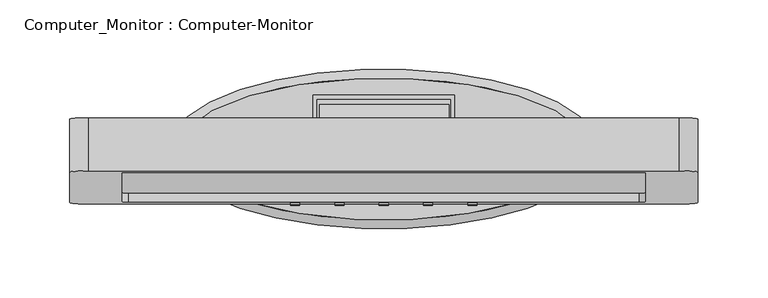
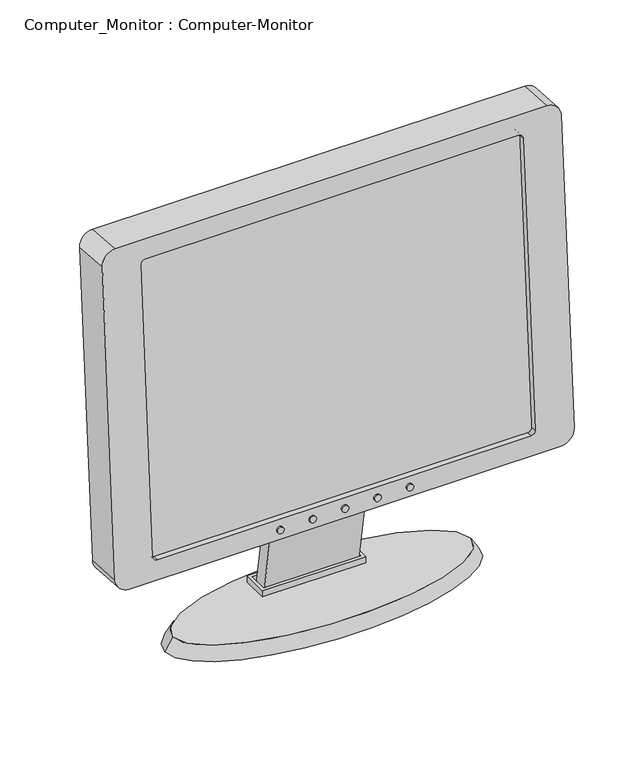
"""IFC4 building model written with IfcOpenShell, lengths in millimetres: furniture geometry, Computer_Monitor : Computer-Monitor."""

from ifc_helpers import new_model, si_unit, point, frame, frame_2d, origin, place, context, project, spatial, polyline, circle_curve, ellipse_curve, trimmed, segment, composite_curve, outline, extrude, source, transform, mapped, element, save
from ifc_brep_helpers import plane_surface, spline_surface, advanced_brep


def computer_monitor_computer_monitor_dc6c6e44(model_context):
    return source(origin(), model_context, "Body", "SolidModel", [
        extrude(outline(polyline([(33.273182, 768.35), (20.7512528, 766.2307338), (1.3203812, 881.0402834), (9.8421846, 1002.907749), (22.511248, 1002.0218418), (14.0951295, 881.6657391), (33.273182, 768.35)])), frame((-45.999954, 0.0, 0.0), z_axis=(1.0, 0.0, 0.0), x_axis=(0.0, 1.0, 0.0)), (0.0, 0.0, 1.0), 92.6634725),
        extrude(outline(polyline([(50.8, 40.1359801), (50.8, 14.7359801), (-50.8, 14.7359801), (-50.8, 40.1359801), (50.8, 40.1359801)]), holes=[polyline([(47.625, 36.9609801), (-47.625, 36.9609801), (-47.625, 17.9109801), (47.625, 17.9109801), (47.625, 36.9609801)])]), frame((0.0, 0.0, 768.35), z_axis=(0.0, 0.0, 1.0), x_axis=(1.0, 0.0, 0.0)), (0.0, 0.0, 1.0), 6.35),
        advanced_brep(
        [(146.05, 1.3951295, 768.35), (-146.05, 1.3951295, 768.35), (153.9875, 1.3951295, 755.65), (-153.9875, 1.3951295, 755.65)],
        [
            (0, 1, ellipse_curve(frame((0.0, 1.3951295, 768.35), z_axis=(0.0, 0.0, 1.0), x_axis=(-1.0, 0.0, 0.0)), 146.05, 50.8)),
            (1, 0, ellipse_curve(frame((0.0, 1.3951295, 768.35), z_axis=(0.0, 0.0, 1.0), x_axis=(-1.0, 0.0, 0.0)), 146.05, 50.8)),
            (2, 3, ellipse_curve(frame((0.0, 1.3951295, 755.65), z_axis=(0.0, 0.0, -1.0), x_axis=(-1.0, 0.0, 0.0)), 153.9875, 57.15)),
            (3, 2, ellipse_curve(frame((0.0, 1.3951295, 755.65), z_axis=(0.0, 0.0, -1.0), x_axis=(-1.0, 0.0, 0.0)), 153.9875, 57.15)),
            (3, 1),
            (0, 2),
        ],
        [
            plane_surface(frame((0.0, 1.3951295, 768.35), z_axis=(0.0, 0.0, 1.0), x_axis=(0.0, 1.0, 0.0))),
            plane_surface(frame((0.0, 1.3951295, 755.65), z_axis=(0.0, 0.0, -1.0), x_axis=(0.0, 1.0, 0.0))),
            spline_surface(2, 1, [[(153.9875, 1.3951295, 755.65), (146.05, 1.3951295, 768.35)], [(153.9875, 58.5451295, 755.65), (146.05, 52.1951295, 768.35)], [(0.0, 58.5451295, 755.65), (0.0, 52.1951295, 768.35)], [(-153.9875, 58.5451295, 755.65), (-146.05, 52.1951295, 768.35)], [(-153.9875, 1.3951295, 755.65), (-146.05, 1.3951295, 768.35)]], [3, 2, 3], [2, 2], [0.0, 1.0, 2.0], [0.0, 1.0], weights=[[1.0, 1.0], [0.7071067811865476, 0.7071067811865476], [1.0, 1.0], [0.7071067811865476, 0.7071067811865476], [1.0, 1.0]]),
            spline_surface(2, 1, [[(-153.9875, 1.3951295, 755.65), (-146.05, 1.3951295, 768.35)], [(-153.9875, -55.754870499999996, 755.65), (-146.05, -49.404870499999994, 768.35)], [(0.0, -55.754870499999996, 755.65), (0.0, -49.404870499999994, 768.35)], [(153.9875, -55.754870499999996, 755.65), (146.05, -49.404870499999994, 768.35)], [(153.9875, 1.3951295, 755.65), (146.05, 1.3951295, 768.35)]], [3, 2, 3], [2, 2], [0.0, 1.0, 2.0], [0.0, 1.0], weights=[[1.0, 1.0], [0.7071067811865476, 0.7071067811865476], [1.0, 1.0], [0.7071067811865476, 0.7071067811865476], [1.0, 1.0]]),
        ],
        [
            (0, [[1, 2]]),
            (1, [[3, 4]]),
            (2, [[-4, 5, -1, 6]]),
            (3, [[-3, -6, -2, -5]]),
        ],
    ),
        extrude(outline(composite_curve([segment(trimmed(circle_curve(frame_2d((0.0, -3.2238776)), 3.2238776), [point((0.0, -6.4477552))], [point((0.0, 0.0))], False, "CARTESIAN"), True, "CONTINUOUS"), segment(trimmed(circle_curve(frame_2d((0.0, -3.2238776)), 3.2238776), [point((0.0, 0.0))], [point((0.0, -6.4477552))], False, "CARTESIAN"), True, "CONTINUOUS")], self_intersect=False)), frame((-60.2761224, -37.3170375, 874.2418252), z_axis=(0.0, -0.9975640502598256, 0.06975647374410573), x_axis=(0.0, -0.06975647374410573, -0.9975640502598256)), (0.0, 0.0, 1.0), 1.5875),
        extrude(outline(composite_curve([segment(trimmed(circle_curve(frame_2d((0.0, 28.5261224)), 3.2238776), [point((0.0, 25.3022448))], [point((0.0, 31.75))], False, "CARTESIAN"), True, "CONTINUOUS"), segment(trimmed(circle_curve(frame_2d((0.0, 28.5261224)), 3.2238776), [point((0.0, 31.75))], [point((0.0, 25.3022448))], False, "CARTESIAN"), True, "CONTINUOUS")], self_intersect=False)), frame((-60.2761224, -37.3170375, 874.2418252), z_axis=(0.0, -0.9975640502598256, 0.06975647374410573), x_axis=(0.0, -0.06975647374410573, -0.9975640502598256)), (0.0, 0.0, 1.0), 1.5875),
        extrude(outline(composite_curve([segment(trimmed(circle_curve(frame_2d((0.0, 60.2761224)), 3.2238776), [point((0.0, 57.0522448))], [point((0.0, 63.5))], False, "CARTESIAN"), True, "CONTINUOUS"), segment(trimmed(circle_curve(frame_2d((0.0, 60.2761224)), 3.2238776), [point((0.0, 63.5))], [point((0.0, 57.0522448))], False, "CARTESIAN"), True, "CONTINUOUS")], self_intersect=False)), frame((-60.2761224, -37.3170375, 874.2418252), z_axis=(0.0, -0.9975640502598256, 0.06975647374410573), x_axis=(0.0, -0.06975647374410573, -0.9975640502598256)), (0.0, 0.0, 1.0), 1.5875),
        extrude(outline(composite_curve([segment(trimmed(circle_curve(frame_2d((0.0, 92.0261224)), 3.2238776), [point((0.0, 88.8022448))], [point((0.0, 95.25))], False, "CARTESIAN"), True, "CONTINUOUS"), segment(trimmed(circle_curve(frame_2d((0.0, 92.0261224)), 3.2238776), [point((0.0, 95.25))], [point((0.0, 88.8022448))], False, "CARTESIAN"), True, "CONTINUOUS")], self_intersect=False)), frame((-60.2761224, -37.3170375, 874.2418252), z_axis=(0.0, -0.9975640502598256, 0.06975647374410573), x_axis=(0.0, -0.06975647374410573, -0.9975640502598256)), (0.0, 0.0, 1.0), 1.5875),
        extrude(outline(composite_curve([segment(trimmed(circle_curve(frame_2d((0.0, 123.7761224)), 3.2238776), [point((0.0, 120.5522448))], [point((0.0, 127.0))], False, "CARTESIAN"), True, "CONTINUOUS"), segment(trimmed(circle_curve(frame_2d((0.0, 123.7761224)), 3.2238776), [point((0.0, 127.0))], [point((0.0, 120.5522448))], False, "CARTESIAN"), True, "CONTINUOUS")], self_intersect=False)), frame((-60.2761224, -37.3170375, 874.2418252), z_axis=(0.0, -0.9975640502598256, 0.06975647374410573), x_axis=(0.0, -0.06975647374410573, -0.9975640502598256)), (0.0, 0.0, 1.0), 1.5875),
        extrude(outline(composite_curve([segment(trimmed(circle_curve(frame_2d((291.4409064, -4.2795468)), 4.2795468), [point((291.4409064, 0.0))], [point((295.7204533, -4.2795468))], False, "CARTESIAN"), True, "CONTINUOUS"), segment(polyline([(295.7204533, -4.2795468), (295.7204533, -370.7204532)]), True, "CONTINUOUS"), segment(trimmed(circle_curve(frame_2d((291.4409064, -370.7204532)), 4.2795468), [point((295.7204533, -370.7204532))], [point((291.4409064, -375.0))], False, "CARTESIAN"), True, "CONTINUOUS"), segment(polyline([(291.4409064, -375.0), (0.0, -375.0)]), True, "CONTINUOUS"), segment(trimmed(circle_curve(frame_2d((0.0, -370.7204532)), 4.2795468), [point((0.0, -375.0))], [point((-4.2795468, -370.7204532))], False, "CARTESIAN"), True, "CONTINUOUS"), segment(polyline([(-4.2795468, -370.7204532), (-4.2795468, -4.2795468)]), True, "CONTINUOUS"), segment(trimmed(circle_curve(frame_2d((0.0, -4.2795468)), 4.2795468), [point((-4.2795468, -4.2795468))], [point((0.0, 0.0))], False, "CARTESIAN"), True, "CONTINUOUS"), segment(polyline([(0.0, 0.0), (291.4409064, 0.0)]), True, "CONTINUOUS")], self_intersect=False)), frame((-187.5, 1.6936556, 885.9348611), z_axis=(0.0, -0.9975640502598256, 0.06975647374410573), x_axis=(0.0, 0.06975647374410573, 0.9975640502598256)), (0.0, 0.0, 1.0), 31.75),
        extrude(outline(composite_curve([segment(trimmed(circle_curve(frame_2d((423.0625428, -13.4687285)), 13.4687286), [point((423.0625428, 0.0))], [point((436.5312714, -13.4687285))], False, "CARTESIAN"), True, "CONTINUOUS"), segment(polyline([(436.5312714, -13.4687285), (436.5312714, -325.6717948)]), True, "CONTINUOUS"), segment(trimmed(circle_curve(frame_2d((423.0312891, -325.6717948)), 13.4999823), [point((436.5312714, -325.6717948))], [point((423.0312891, -339.1717771))], False, "CARTESIAN"), True, "CONTINUOUS"), segment(polyline([(423.0312891, -339.1717771), (0.0312537, -339.1717771)]), True, "CONTINUOUS"), segment(trimmed(circle_curve(frame_2d((0.0312537, -325.6717948)), 13.4999823), [point((0.0312537, -339.1717771))], [point((-13.4687286, -325.6717948))], False, "CARTESIAN"), True, "CONTINUOUS"), segment(polyline([(-13.4687286, -325.6717948), (-13.4687286, -13.4687285)]), True, "CONTINUOUS"), segment(trimmed(circle_curve(frame_2d((0.0, -13.4687285)), 13.4687286), [point((-13.4687286, -13.4687285))], [point((0.0, 0.0))], False, "CARTESIAN"), True, "CONTINUOUS"), segment(polyline([(0.0, 0.0), (423.0625428, 0.0)]), True, "CONTINUOUS")], self_intersect=False), holes=[composite_curve([segment(polyline([(28.2834577, -319.2204961), (394.7790851, -319.2204961)]), True, "CONTINUOUS"), segment(trimmed(circle_curve(frame_2d((394.7790851, -315.1402591)), 4.0802369), [point((394.7790851, -319.2204961))], [point((398.859322, -315.1402591))], True, "CARTESIAN"), True, "CONTINUOUS"), segment(polyline([(398.859322, -315.1402591), (398.859322, -24.0002642)]), True, "CONTINUOUS"), segment(trimmed(circle_curve(frame_2d((394.8103388, -24.0002642)), 4.0489832), [point((398.859322, -24.0002642))], [point((394.8103388, -19.951281))], True, "CARTESIAN"), True, "CONTINUOUS"), segment(polyline([(394.8103388, -19.951281), (28.252204, -19.951281)]), True, "CONTINUOUS"), segment(trimmed(circle_curve(frame_2d((28.252204, -24.0002642)), 4.0489832), [point((28.252204, -19.951281))], [point((24.2032208, -24.0002642))], True, "CARTESIAN"), True, "CONTINUOUS"), segment(polyline([(24.2032208, -24.0002642), (24.2032208, -315.1402591)]), True, "CONTINUOUS"), segment(trimmed(circle_curve(frame_2d((28.2834577, -315.1402591)), 4.0802369), [point((24.2032208, -315.1402591))], [point((28.2834577, -319.2204961))], True, "CARTESIAN"), True, "CONTINUOUS")], self_intersect=False)]), frame((-211.5312714, 23.6855889, 1200.4341605), z_axis=(0.0, -0.9975640502598258, 0.06975647374410575), x_axis=(1.0, 0.0, 0.0)), (0.0, 0.0, 1.0), 38.1),
    ])


if __name__ == "__main__":
    model = new_model("IFC4")
    model_context = context("Model", 3, world=origin())
    ifc_project = project(units=[si_unit("LENGTHUNIT", "METRE", prefix="MILLI")], contexts=[model_context])
    site = spatial("IfcSite", under=ifc_project)
    building = spatial("IfcBuilding", under=site)
    placement = place(None, origin())
    computer_monitor_computer_monitor_shape = computer_monitor_computer_monitor_dc6c6e44(model_context)
    element("IfcFurniture", 1, ObjectType="Computer_Monitor : Computer-Monitor", at=placement, inside=building, context=model_context, shape_type="MappedRepresentation", body=[
        mapped(computer_monitor_computer_monitor_shape, transform((0.0, 0.0, 0.0), x_axis=(1.0, 0.0, 0.0), y_axis=(0.0, 1.0, 0.0), z_axis=(0.0, 0.0, 1.0))),
    ])
    save(model, "model.ifc")
